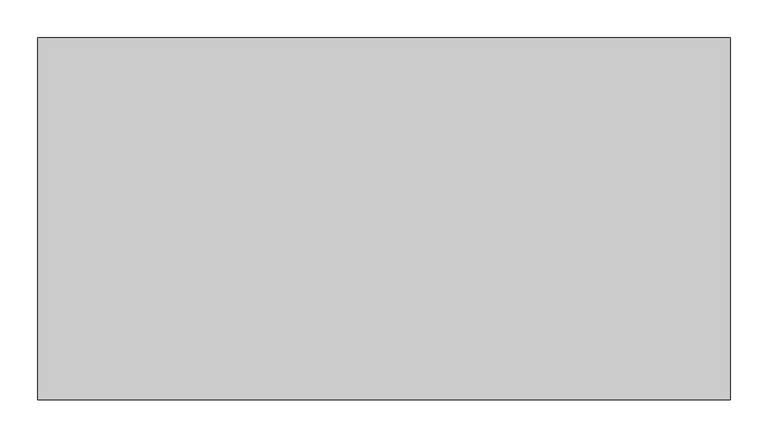
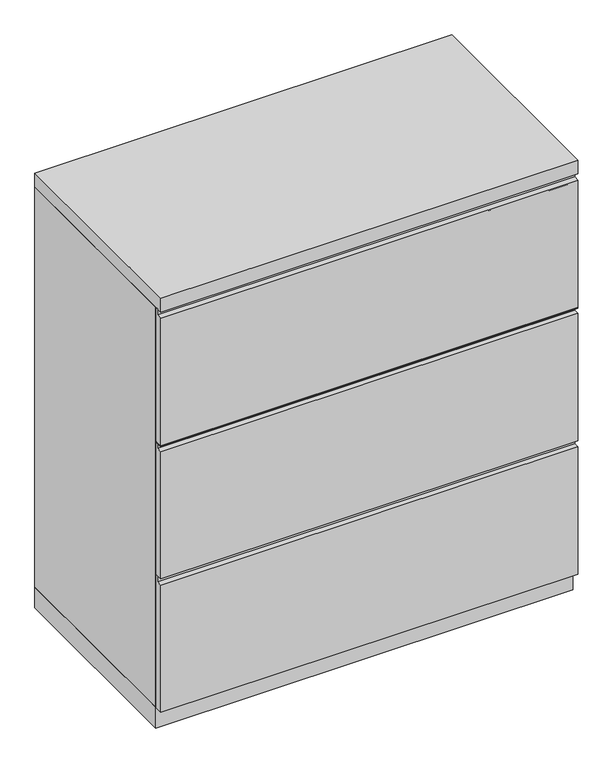
"""IFC4 building model written with IfcOpenShell, lengths in millimetres: furniture geometry."""

from ifc_helpers import new_model, si_unit, frame, origin, origin_with_axes, place, context, project, spatial, polyline, outline, extrude, source, transform, mapped, element, save


def furniture_27af377b(model_context):
    return source(origin(), model_context, "Body", "SweptSolid", [
        extrude(outline(polyline([(-457.2, 663.575), (-476.25, 663.575), (-476.25, 957.2625), (-463.55, 957.2625), (-463.55, 971.55), (-457.2, 971.55), (-457.2, 663.575)])), frame((-455.6125, 0.0, 0.0), z_axis=(1.0, 0.0, 0.0), x_axis=(0.0, 1.0, 0.0)), (0.0, 0.0, 1.0), 911.225),
        extrude(outline(polyline([(-457.2, 661.035), (-476.25, 661.035), (-476.25, 954.7225), (-463.55, 954.7225), (-463.55, 969.01), (-457.2, 969.01), (-457.2, 661.035)])), frame((-455.6125, 0.0, 0.0), z_axis=(1.0, 0.0, 0.0), x_axis=(0.0, 1.0, 0.0)), (0.0, 0.0, 1.0), 911.225),
        extrude(outline(polyline([(-457.2, 355.6), (-476.25, 355.6), (-476.25, 649.2875), (-463.55, 649.2875), (-463.55, 663.575), (-457.2, 663.575), (-457.2, 355.6)])), frame((-455.6125, 0.0, 0.0), z_axis=(1.0, 0.0, 0.0), x_axis=(0.0, 1.0, 0.0)), (0.0, 0.0, 1.0), 911.225),
        extrude(outline(polyline([(-457.2, 47.625), (-476.25, 47.625), (-476.25, 341.3125), (-463.55, 341.3125), (-463.55, 355.6), (-457.2, 355.6), (-457.2, 47.625)])), frame((-455.6125, 0.0, 0.0), z_axis=(1.0, 0.0, 0.0), x_axis=(0.0, 1.0, 0.0)), (0.0, 0.0, 1.0), 911.225),
        extrude(outline(polyline([(455.6125, 0.0), (455.6125, -457.2), (-455.6125, -457.2), (-455.6125, 0.0), (455.6125, 0.0)])), origin_with_axes(), (0.0, 0.0, 1.0), 47.625),
        extrude(outline(polyline([(455.6125, 0.0), (455.6125, -476.25), (-455.6125, -476.25), (-455.6125, 0.0), (455.6125, 0.0)])), frame((0.0, 0.0, 971.55), z_axis=(0.0, 0.0, 1.0), x_axis=(1.0, 0.0, 0.0)), (0.0, 0.0, 1.0), 31.75),
        extrude(outline(polyline([(455.6125, 0.0), (455.6125, -457.2), (436.5625, -457.2), (436.5625, -19.05), (-436.5625, -19.05), (-436.5625, -457.2), (-455.6125, -457.2), (-455.6125, 0.0), (455.6125, 0.0)])), frame((0.0, 0.0, 47.625), z_axis=(0.0, 0.0, 1.0), x_axis=(1.0, 0.0, 0.0)), (0.0, 0.0, 1.0), 923.925),
    ])


if __name__ == "__main__":
    model = new_model("IFC4")
    model_context = context("Model", 3, world=origin())
    ifc_project = project(units=[si_unit("LENGTHUNIT", "METRE", prefix="MILLI")], contexts=[model_context])
    site = spatial("IfcSite", under=ifc_project)
    building = spatial("IfcBuilding", under=site)
    placement = place(None, origin())
    furniture_shape = furniture_27af377b(model_context)
    element("IfcFurniture", 1, at=placement, inside=building, context=model_context, shape_type="MappedRepresentation", body=[
        mapped(furniture_shape, transform((0.0, 0.0, 0.0), x_axis=(1.0, 0.0, 0.0), y_axis=(0.0, 1.0, 0.0), z_axis=(0.0, 0.0, 1.0))),
    ])
    save(model, "model.ifc")
